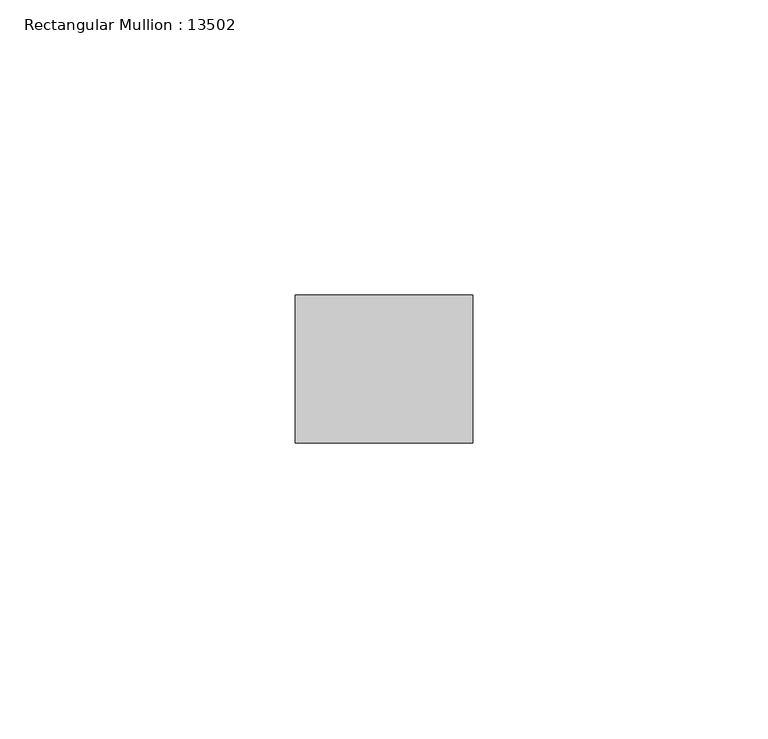
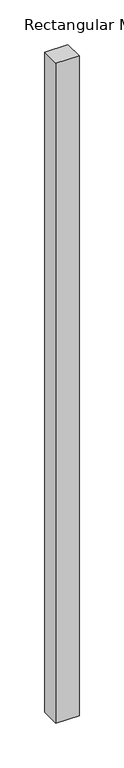
"""IFC4 building model written with IfcOpenShell, lengths in millimetres: member geometry, Rectangular Mullion : 13502."""

from ifc_helpers import new_model, si_unit, frame, origin, place, context, project, spatial, polyline, outline, extrude, source, transform, mapped, element, save


def rectangular_mullion_13502_15b899e4(model_context):
    return source(origin(), model_context, "Body", "SweptSolid", [
        extrude(outline(polyline([(-29.9999993, 12.5), (0.0, 12.5), (0.0, -12.5), (-29.9999993, -12.5), (-29.9999993, 12.5)])), frame((0.0, 0.0, -901.0), z_axis=(0.0, 0.0, 1.0), x_axis=(1.0, 0.0, 0.0)), (0.0, 0.0, 1.0), 901.0),
    ])


if __name__ == "__main__":
    model = new_model("IFC4")
    model_context = context("Model", 3, world=origin())
    ifc_project = project(units=[si_unit("LENGTHUNIT", "METRE", prefix="MILLI")], contexts=[model_context])
    site = spatial("IfcSite", under=ifc_project)
    building = spatial("IfcBuilding", under=site)
    placement = place(None, origin())
    rectangular_mullion_13502_shape = rectangular_mullion_13502_15b899e4(model_context)
    element("IfcMember", 1, ObjectType="Rectangular Mullion : 13502", at=placement, inside=building, context=model_context, shape_type="MappedRepresentation", body=[
        mapped(rectangular_mullion_13502_shape, transform((0.0, 0.0, 0.0), x_axis=(1.0, 0.0, 0.0), y_axis=(0.0, 1.0, 0.0), z_axis=(0.0, 0.0, 1.0))),
    ])
    save(model, "model.ifc")
